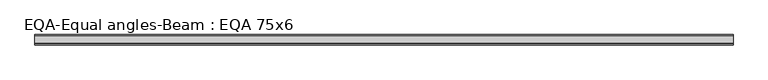
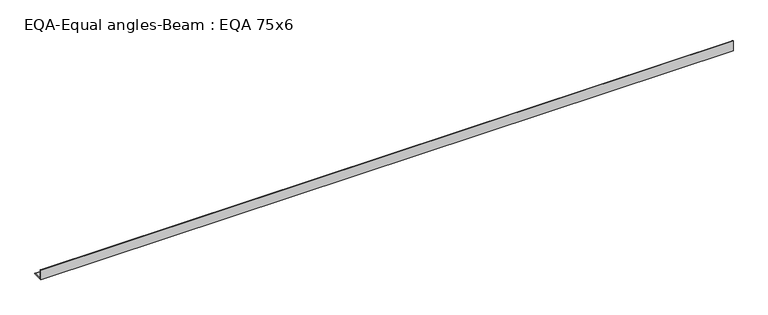
"""IFC4 building model written with IfcOpenShell, lengths in millimetres: beam geometry, EQA-Equal angles-Beam : EQA 75x6."""

from ifc_helpers import new_model, si_unit, point, frame, frame_2d, origin, place, context, project, spatial, polyline, circle_curve, trimmed, segment, composite_curve, outline, extrude, source, transform, mapped, element, save


def eqa_equal_angles_beam_eqa_75x6_d625976a(model_context):
    return source(origin(), model_context, "Body", "SweptSolid", [
        extrude(outline(composite_curve([segment(polyline([(-20.5, -20.5), (-20.5, 54.5), (-19.0, 54.5)]), True, "CONTINUOUS"), segment(trimmed(circle_curve(frame_2d((-19.0, 50.0)), 4.5), [point((-19.0, 54.5))], [point((-14.5, 50.0))], False, "CARTESIAN"), True, "CONTINUOUS"), segment(polyline([(-14.5, 50.0), (-14.5, -5.5)]), True, "CONTINUOUS"), segment(trimmed(circle_curve(frame_2d((-5.5, -5.5)), 9.0), [point((-14.5, -5.5))], [point((-5.5, -14.5))], True, "CARTESIAN"), True, "CONTINUOUS"), segment(polyline([(-5.5, -14.5), (50.0, -14.5)]), True, "CONTINUOUS"), segment(trimmed(circle_curve(frame_2d((50.0, -19.0)), 4.5), [point((50.0, -14.5))], [point((54.5, -19.0))], False, "CARTESIAN"), True, "CONTINUOUS"), segment(polyline([(54.5, -19.0), (54.5, -20.5), (-20.5, -20.5)]), True, "CONTINUOUS")], self_intersect=False)), frame((-2489.6660796, 0.0, 0.0), z_axis=(1.0, 0.0, 0.0), x_axis=(0.0, 1.0, 0.0)), (0.0, 0.0, 1.0), 5030.9092653),
    ])


if __name__ == "__main__":
    model = new_model("IFC4")
    model_context = context("Model", 3, world=origin())
    ifc_project = project(units=[si_unit("LENGTHUNIT", "METRE", prefix="MILLI")], contexts=[model_context])
    site = spatial("IfcSite", under=ifc_project)
    building = spatial("IfcBuilding", under=site)
    placement = place(None, origin())
    eqa_equal_angles_beam_eqa_75x6_shape = eqa_equal_angles_beam_eqa_75x6_d625976a(model_context)
    element("IfcBeam", 1, ObjectType="EQA-Equal angles-Beam : EQA 75x6", at=placement, inside=building, context=model_context, shape_type="MappedRepresentation", body=[
        mapped(eqa_equal_angles_beam_eqa_75x6_shape, transform((0.0, 0.0, 0.0), x_axis=(1.0, 0.0, 0.0), y_axis=(0.0, 1.0, 0.0), z_axis=(0.0, 0.0, 1.0))),
    ])
    save(model, "model.ifc")
